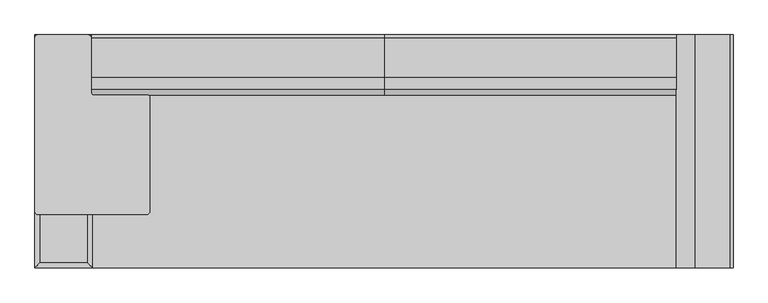
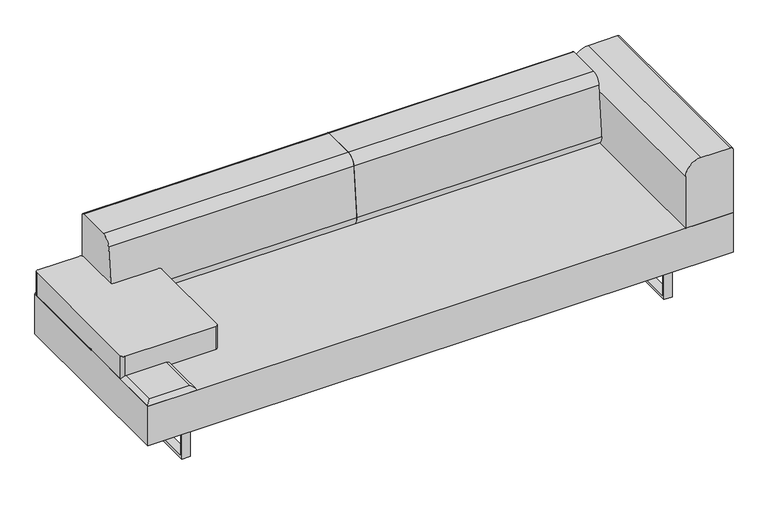
"""IFC4 building model written with IfcOpenShell, lengths in millimetres: furniture geometry."""

import ifcopenshell
import ifcopenshell.guid

model = None  # the IFC model being written
_history = None  # IfcOwnerHistory: only IFC2X3 demands one
_inside = {}  # id of a spatial element -> (the spatial element, [elements in it])
_under = {}  # id of a project, library or spatial element -> (it, [spatial elements below it])
_declared = {}  # id of a project -> (the project, [libraries it declares])
_typed = {}  # id of a type object -> (the type object, [elements of that type])
_made_of = {}  # id of a material, layer set ... -> (it, [elements and type objects made of it])


def new_model(schema):
    """Start an empty IFC model of exactly this schema.

    Asked for "IFC4X3", IfcOpenShell would pick the latest addendum, in which some entities
    have other attributes; the version numbers below select the first issue.
    IFC2X3 requires an IfcOwnerHistory on every rooted entity: one is made here for all.
    """
    global model, _history
    if schema == "IFC4X3":
        model = ifcopenshell.file(schema_version=(4, 3, 0, 0))
    else:
        model = ifcopenshell.file(schema=schema)
    _inside.clear()
    _under.clear()
    _declared.clear()
    _typed.clear()
    _made_of.clear()
    _history = None
    if model.schema == "IFC2X3":
        org = make("IfcOrganization", Name="unknown")
        user = make(
            "IfcPersonAndOrganization",
            ThePerson=make("IfcPerson", FamilyName="unknown"),
            TheOrganization=org,
        )
        app = make(
            "IfcApplication",
            ApplicationDeveloper=org,
            Version="unknown",
            ApplicationFullName="unknown",
            ApplicationIdentifier="unknown",
        )
        _history = make(
            "IfcOwnerHistory",
            OwningUser=user,
            OwningApplication=app,
            ChangeAction="ADDED",
            CreationDate=0,
        )
    return model


def make(cls, **values):
    """One entity of the class cls with the attributes given. An attribute that is None is left unset."""
    return model.create_entity(
        cls, **{name: value for name, value in values.items() if value is not None}
    )


def rooted(cls, **values):
    """An entity with a GlobalId (a new one), such as an element, a storey or a relation."""
    return make(cls, GlobalId=ifcopenshell.guid.new(), OwnerHistory=_history, **values)


def si_unit(unit_type, name, prefix=None):
    """IfcSIUnit, for example si_unit("LENGTHUNIT", "METRE", prefix="MILLI")."""
    return make("IfcSIUnit", UnitType=unit_type, Prefix=prefix, Name=name)


def assignment(units):
    """IfcUnitAssignment: the units of a project."""
    return None if units is None else make("IfcUnitAssignment", Units=units)


def point(xyz):
    """IfcCartesianPoint."""
    return None if xyz is None else make("IfcCartesianPoint", Coordinates=xyz)


def direction(xyz):
    """IfcDirection."""
    return None if xyz is None else make("IfcDirection", DirectionRatios=xyz)


def frame(location, z_axis=None, x_axis=None):
    """IfcAxis2Placement3D, a coordinate frame: its origin and axes. An axis left out is left unset."""
    return make(
        "IfcAxis2Placement3D",
        Location=point(location),
        Axis=direction(z_axis),
        RefDirection=direction(x_axis),
    )


def frame_2d(location, x_axis=None):
    """IfcAxis2Placement2D, a coordinate frame in the plane: its origin and x axis."""
    return make(
        "IfcAxis2Placement2D", Location=point(location), RefDirection=direction(x_axis)
    )


def origin():
    """The frame at (0, 0, 0) with its axes left unset."""
    return frame((0.0, 0.0, 0.0))


def place(relative_to, where):
    """IfcLocalPlacement: puts the frame where relative to a parent placement (None: the world)."""
    return make(
        "IfcLocalPlacement", PlacementRelTo=relative_to, RelativePlacement=where
    )


def context(
    kind, dimensions, precision=None, world=None, true_north=None, identifier=None
):
    """IfcGeometricRepresentationContext, for example the 3D "Model" context."""
    return make(
        "IfcGeometricRepresentationContext",
        ContextIdentifier=identifier,
        ContextType=kind,
        CoordinateSpaceDimension=dimensions,
        Precision=precision,
        WorldCoordinateSystem=world,
        TrueNorth=true_north,
    )


def project(units=None, contexts=None):
    """IfcProject with its units and contexts."""
    return rooted(
        "IfcProject",
        Name="project",
        RepresentationContexts=contexts,
        UnitsInContext=assignment(units),
    )


def spatial(cls, under=None, at=None, **own):
    """A site, building, storey or space (cls), placed at a placement, below another one or the project."""
    s = rooted(cls, ObjectPlacement=at, **own)
    if under is not None:
        _under.setdefault(under.id(), (under, []))[1].append(s)
    return s


def polyline(points):
    """IfcPolyline through the points."""
    return make("IfcPolyline", Points=[point(p) for p in points])


def circle_curve(where, radius):
    """IfcCircle in the frame where."""
    return make("IfcCircle", Position=where, Radius=radius)


def ellipse_curve(where, semi_axis1, semi_axis2):
    """IfcEllipse in the frame where."""
    return make(
        "IfcEllipse", Position=where, SemiAxis1=semi_axis1, SemiAxis2=semi_axis2
    )


def trimmed(basis, trim1, trim2, sense, master):
    """IfcTrimmedCurve: the piece of a basis curve between two trims."""
    return make(
        "IfcTrimmedCurve",
        BasisCurve=basis,
        Trim1=trim1,
        Trim2=trim2,
        SenseAgreement=sense,
        MasterRepresentation=master,
    )


def segment(curve, same_sense, transition):
    """IfcCompositeCurveSegment."""
    return make(
        "IfcCompositeCurveSegment",
        Transition=transition,
        SameSense=same_sense,
        ParentCurve=curve,
    )


def composite_curve(segments, self_intersect=None):
    """IfcCompositeCurve: segments joined end to end."""
    return make("IfcCompositeCurve", Segments=segments, SelfIntersect=self_intersect)


def outline(outer, holes=None, kind="AREA"):
    """IfcArbitraryClosedProfileDef: a profile drawn as a closed curve; with holes, ...WithVoids."""
    if holes is None:
        return make("IfcArbitraryClosedProfileDef", ProfileType=kind, OuterCurve=outer)
    return make(
        "IfcArbitraryProfileDefWithVoids",
        ProfileType=kind,
        OuterCurve=outer,
        InnerCurves=holes,
    )


def extrude(swept, where, along, depth):
    """IfcExtrudedAreaSolid: the profile swept, set in the frame where, extruded along a direction by depth."""
    return make(
        "IfcExtrudedAreaSolid",
        SweptArea=swept,
        Position=where,
        ExtrudedDirection=direction(along),
        Depth=depth,
    )


def shape(context_of_items, identifier, shape_type, items):
    """IfcShapeRepresentation: the items that make up one representation, for example the "Body"."""
    return make(
        "IfcShapeRepresentation",
        ContextOfItems=context_of_items,
        RepresentationIdentifier=identifier,
        RepresentationType=shape_type,
        Items=items,
    )


def source(mapping_origin, context_of_items, identifier, shape_type, items):
    """IfcRepresentationMap: a shape defined once, which mapped items show again and again."""
    return make(
        "IfcRepresentationMap",
        MappingOrigin=mapping_origin,
        MappedRepresentation=shape(context_of_items, identifier, shape_type, items),
    )


def transform(
    local_origin,
    x_axis=None,
    y_axis=None,
    z_axis=None,
    scale=None,
    scale2=None,
    scale3=None,
    uniform=True,
):
    """IfcCartesianTransformationOperator3D, or its non-uniform kind. x_axis, y_axis, z_axis: its Axis1, 2, 3."""
    if uniform:
        return make(
            "IfcCartesianTransformationOperator3D",
            Axis1=direction(x_axis),
            Axis2=direction(y_axis),
            LocalOrigin=point(local_origin),
            Scale=scale,
            Axis3=direction(z_axis),
        )
    return make(
        "IfcCartesianTransformationOperator3DnonUniform",
        Axis1=direction(x_axis),
        Axis2=direction(y_axis),
        LocalOrigin=point(local_origin),
        Scale=scale,
        Axis3=direction(z_axis),
        Scale2=scale2,
        Scale3=scale3,
    )


def mapped(mapping_source, mapping_target):
    """IfcMappedItem: shows the shape of a source again, moved by a transform."""
    return make(
        "IfcMappedItem", MappingSource=mapping_source, MappingTarget=mapping_target
    )


def made_of(thing, what):
    """Note that an element or type object is made of a material, layer set ...; save() writes the relation."""
    if what is not None:
        _made_of.setdefault(what.id(), (what, []))[1].append(thing)
    return thing


def element(
    cls,
    number,
    at=None,
    inside=None,
    cuts=None,
    type_object=None,
    material=None,
    context=None,
    identifier="Body",
    shape_type=None,
    held_by="IfcProductDefinitionShape",
    body=None,
    shapes=None,
    **own,
):
    """One element of the class cls, such as IfcWall. Its Tag is "e" and its number.

    at: its placement. inside: the storey or other place that contains it. cuts: it is an
    opening in that element (IfcRelVoidsElement). A single representation is given by context,
    identifier, shape_type and body (its items); several are given by shapes. held_by: the class
    of the entity that holds the representations. save() writes the other relations.
    """
    e = rooted(cls, Tag="e%d" % number, ObjectPlacement=at, **own)
    if body is not None:
        shapes = [shape(context, identifier, shape_type, body)]
    if shapes is not None:
        e.Representation = make(held_by, Representations=shapes)
    if inside is not None:
        _inside.setdefault(inside.id(), (inside, []))[1].append(e)
    if cuts is not None:
        rooted(
            "IfcRelVoidsElement", RelatingBuildingElement=cuts, RelatedOpeningElement=e
        )
    if type_object is not None:
        _typed.setdefault(type_object.id(), (type_object, []))[1].append(e)
    return made_of(e, material)


def aggregate(whole, parts):
    """IfcRelAggregates: a whole, such as a stair, and the parts it consists of."""
    return rooted("IfcRelAggregates", RelatingObject=whole, RelatedObjects=parts)


def save(model, path):
    """Write the relations noted so far, then the file.

    IfcRelAggregates (storeys below a building ...), IfcRelContainedInSpatialStructure (elements
    in a storey), IfcRelDefinesByType, IfcRelAssociatesMaterial and IfcRelDeclares: one each for
    every whole, place, type object, material and project.
    """
    for whole, parts in _under.values():
        aggregate(whole, parts)
    for where, things in _inside.values():
        rooted(
            "IfcRelContainedInSpatialStructure",
            RelatedElements=things,
            RelatingStructure=where,
        )
    for kind, things in _typed.values():
        rooted("IfcRelDefinesByType", RelatedObjects=things, RelatingType=kind)
    for what, things in _made_of.values():
        rooted("IfcRelAssociatesMaterial", RelatedObjects=things, RelatingMaterial=what)
    for by, libraries in _declared.values():
        rooted("IfcRelDeclares", RelatingContext=by, RelatedDefinitions=libraries)
    model.write(path)


def plane_surface(at):
    """IfcPlane: the flat surface through the origin of the frame at, square to its z axis."""
    return make("IfcPlane", Position=at)


def cylinder_surface(at, radius):
    """IfcCylindricalSurface: all points at the distance radius from the z axis of the frame at."""
    return make("IfcCylindricalSurface", Position=at, Radius=radius)


def advanced_brep(points, edges, surfaces, faces):
    """IfcAdvancedBrep: a solid bounded by faces that lie on surfaces and meet in shared edges.

    An edge is (start, end): straight between two places in points (the first is 0);
    or (start, end, curve); or (start, end, curve, False) where it runs against its curve.
    A face is (place in surfaces, loops), or (place, loops, False) where it looks against
    its surface's normal. A loop lists edges by number (the first is 1), with a minus sign
    where the edge is run from its end to its start. The first loop is the outer one.
    """
    corners = [point(p) for p in points]
    vertices = [make("IfcVertexPoint", VertexGeometry=c) for c in corners]
    made = []
    for start, end, *more in edges:
        made.append(
            make(
                "IfcEdgeCurve",
                EdgeStart=vertices[start],
                EdgeEnd=vertices[end],
                EdgeGeometry=more[0] if more else make("IfcPolyline", Points=[corners[start], corners[end]]),
                SameSense=more[1] if len(more) > 1 else True,
            )
        )
    hull = []
    for where, loops, *sense in faces:
        bounds = []
        for j, loop in enumerate(loops):
            ring = [make("IfcOrientedEdge", EdgeElement=made[abs(k) - 1], Orientation=k > 0) for k in loop]
            bounds.append(
                make(
                    "IfcFaceOuterBound" if j == 0 else "IfcFaceBound",
                    Bound=make("IfcEdgeLoop", EdgeList=ring),
                    Orientation=True,
                )
            )
        hull.append(make("IfcAdvancedFace", Bounds=bounds, FaceSurface=surfaces[where], SameSense=sense[0] if sense else True))
    return make("IfcAdvancedBrep", Outer=make("IfcClosedShell", CfsFaces=hull))


def furniture_991af9d6(model_context):
    return source(origin(), model_context, "Body", "SolidModel", [
        advanced_brep(
        [(-1128.5755122, 17.9605122, 411.6605122), (-1128.5755122, 204.2894878, 411.6605122), (-1312.3644878, 204.2894878, 411.6605122), (-1312.3644878, 17.9605122, 411.6605122), (-1110.615, 222.25, 393.7), (-1110.615, 0.0, 393.7), (-1330.325, 0.0, 393.7), (-1330.325, 222.25, 393.7)],
        [
            (0, 1),
            (1, 2),
            (2, 3),
            (3, 0),
            (4, 5),
            (5, 6),
            (6, 7),
            (7, 4),
            (4, 1, ellipse_curve(frame((-1128.5755122, 204.2894878, 393.7), z_axis=(0.7071067811865475, -0.7071067811865475, 0.0), x_axis=(0.7071067811865474, 0.7071067811865476, 0.0)), 25.4, 17.9605122)),
            (0, 5, ellipse_curve(frame((-1128.5755122, 17.9605122, 393.7), z_axis=(0.7071067811865475, 0.7071067811865475, 0.0), x_axis=(-0.7071067811865474, 0.7071067811865476, 0.0)), 25.4, 17.9605122)),
            (3, 6, ellipse_curve(frame((-1312.3644878, 17.9605122, 393.7), z_axis=(0.7071067811865475, -0.7071067811865475, 0.0), x_axis=(0.7071067811865476, 0.7071067811865474, 0.0)), 25.4, 17.9605122)),
            (2, 7, ellipse_curve(frame((-1312.3644878, 204.2894878, 393.7), z_axis=(-0.7071067811865475, -0.7071067811865475, 0.0), x_axis=(0.7071067811865474, -0.7071067811865476, 0.0)), 25.4, 17.9605122)),
        ],
        [
            plane_surface(frame((-1312.3644878, 204.2894878, 411.6605122), z_axis=(0.0, 0.0, 1.0), x_axis=(-1.0, 0.0, 0.0))),
            plane_surface(frame((-1312.3644878, 204.2894878, 393.7), z_axis=(0.0, 0.0, -1.0), x_axis=(1.0, 0.0, 0.0))),
            cylinder_surface(frame((-1128.5755122, 222.25, 393.7), z_axis=(0.0, 1.0, 0.0), x_axis=(1.0, 0.0, 0.0)), 17.9605122),
            cylinder_surface(frame((-1110.615, 17.9605122, 393.7), z_axis=(1.0, 0.0, 0.0), x_axis=(0.0, -1.0, 0.0)), 17.9605122),
            cylinder_surface(frame((-1312.3644878, 0.0, 393.7), z_axis=(0.0, -1.0, 0.0), x_axis=(-1.0, 0.0, 0.0)), 17.9605122),
            cylinder_surface(frame((-1330.325, 204.2894878, 393.7), z_axis=(-1.0, 0.0, 0.0), x_axis=(0.0, 1.0, 0.0)), 17.9605122),
        ],
        [
            (0, [[1, 2, 3, 4]]),
            (1, [[5, 6, 7, 8]]),
            (2, [[9, -1, 10, -5]]),
            (3, [[-10, -4, 11, -6]]),
            (4, [[-11, -3, 12, -7]]),
            (5, [[-9, -8, -12, -2]]),
        ],
    ),
        advanced_brep(
        [(-1128.5755122, 240.2105122, 411.6605122), (-1128.5755122, 426.5394878, 411.6605122), (-1312.3644878, 426.5394878, 411.6605122), (-1312.3644878, 240.2105122, 411.6605122), (-1110.615, 444.5, 393.7), (-1110.615, 222.25, 393.7), (-1330.325, 222.25, 393.7), (-1330.325, 444.5, 393.7)],
        [
            (0, 1),
            (1, 2),
            (2, 3),
            (3, 0),
            (4, 5),
            (5, 6),
            (6, 7),
            (7, 4),
            (4, 1, ellipse_curve(frame((-1128.5755122, 426.5394878, 393.7), z_axis=(0.7071067811865475, -0.7071067811865475, 0.0), x_axis=(0.7071067811865474, 0.7071067811865476, 0.0)), 25.4, 17.9605122)),
            (0, 5, ellipse_curve(frame((-1128.5755122, 240.2105122, 393.7), z_axis=(0.7071067811865475, 0.7071067811865475, 0.0), x_axis=(-0.7071067811865474, 0.7071067811865476, 0.0)), 25.4, 17.9605122)),
            (3, 6, ellipse_curve(frame((-1312.3644878, 240.2105122, 393.7), z_axis=(0.7071067811865475, -0.7071067811865475, 0.0), x_axis=(0.7071067811865476, 0.7071067811865474, 0.0)), 25.4, 17.9605122)),
            (2, 7, ellipse_curve(frame((-1312.3644878, 426.5394878, 393.7), z_axis=(-0.7071067811865475, -0.7071067811865475, 0.0), x_axis=(0.7071067811865474, -0.7071067811865476, 0.0)), 25.4, 17.9605122)),
        ],
        [
            plane_surface(frame((-1312.3644878, 426.5394878, 411.6605122), z_axis=(0.0, 0.0, 1.0), x_axis=(-1.0, 0.0, 0.0))),
            plane_surface(frame((-1312.3644878, 426.5394878, 393.7), z_axis=(0.0, 0.0, -1.0), x_axis=(1.0, 0.0, 0.0))),
            cylinder_surface(frame((-1128.5755122, 444.5, 393.7), z_axis=(0.0, 1.0, 0.0), x_axis=(1.0, 0.0, 0.0)), 17.9605122),
            cylinder_surface(frame((-1110.615, 240.2105122, 393.7), z_axis=(1.0, 0.0, 0.0), x_axis=(0.0, -1.0, 0.0)), 17.9605122),
            cylinder_surface(frame((-1312.3644878, 222.25, 393.7), z_axis=(0.0, -1.0, 0.0), x_axis=(-1.0, 0.0, 0.0)), 17.9605122),
            cylinder_surface(frame((-1330.325, 426.5394878, 393.7), z_axis=(-1.0, 0.0, 0.0), x_axis=(0.0, 1.0, 0.0)), 17.9605122),
        ],
        [
            (0, [[1, 2, 3, 4]]),
            (1, [[5, 6, 7, 8]]),
            (2, [[9, -1, 10, -5]]),
            (3, [[-10, -4, 11, -6]]),
            (4, [[-11, -3, 12, -7]]),
            (5, [[-9, -8, -12, -2]]),
        ],
    ),
        advanced_brep(
        [(-1110.615, -222.25, 393.7), (-1128.5755122, -240.2105122, 411.6605122), (-1128.5755122, -426.5394878, 411.6605122), (-1110.615, -444.5, 393.7), (-1312.3644878, -426.5394878, 411.6605122), (-1330.325, -444.5, 393.7), (-1312.3644878, -240.2105122, 411.6605122), (-1330.325, -222.25, 393.7)],
        [
            (0, 1, ellipse_curve(frame((-1128.5755122, -240.2105122, 393.7), z_axis=(0.7071067811865475, -0.7071067811865475, 0.0), x_axis=(0.7071067811865474, 0.7071067811865476, 0.0)), 25.4, 17.9605122)),
            (1, 2),
            (2, 3, ellipse_curve(frame((-1128.5755122, -426.5394878, 393.7), z_axis=(0.7071067811865475, 0.7071067811865475, 0.0), x_axis=(-0.7071067811865474, 0.7071067811865476, 0.0)), 25.4, 17.9605122)),
            (3, 0),
            (2, 4),
            (4, 5, ellipse_curve(frame((-1312.3644878, -426.5394878, 393.7), z_axis=(0.7071067811865475, -0.7071067811865475, 0.0), x_axis=(0.7071067811865476, 0.7071067811865474, 0.0)), 25.4, 17.9605122)),
            (5, 3),
            (4, 6),
            (6, 7, ellipse_curve(frame((-1312.3644878, -240.2105122, 393.7), z_axis=(-0.7071067811865475, -0.7071067811865475, 0.0), x_axis=(0.7071067811865474, -0.7071067811865476, 0.0)), 25.4, 17.9605122)),
            (7, 5),
            (0, 7),
            (6, 1),
        ],
        [
            cylinder_surface(frame((-1128.5755122, -222.25, 393.7), z_axis=(0.0, 1.0, 0.0), x_axis=(1.0, 0.0, 0.0)), 17.9605122),
            cylinder_surface(frame((-1110.615, -426.5394878, 393.7), z_axis=(1.0, 0.0, 0.0), x_axis=(0.0, -1.0, 0.0)), 17.9605122),
            cylinder_surface(frame((-1312.3644878, -444.5, 393.7), z_axis=(0.0, -1.0, 0.0), x_axis=(-1.0, 0.0, 0.0)), 17.9605122),
            cylinder_surface(frame((-1330.325, -240.2105122, 393.7), z_axis=(-1.0, 0.0, 0.0), x_axis=(0.0, 1.0, 0.0)), 17.9605122),
            plane_surface(frame((-1330.325, -222.25, 393.7), z_axis=(0.0, 0.0, -1.0), x_axis=(1.0, 0.0, 0.0))),
            plane_surface(frame((-1312.3644878, -240.2105122, 411.6605122), z_axis=(0.0, 0.0, 1.0), x_axis=(-1.0, 0.0, 0.0))),
        ],
        [
            (0, [[1, 2, 3, 4]]),
            (1, [[-3, 5, 6, 7]]),
            (2, [[-6, 8, 9, 10]]),
            (3, [[-1, 11, -9, 12]]),
            (4, [[-4, -7, -10, -11]]),
            (5, [[-2, -12, -8, -5]]),
        ],
    ),
        extrude(outline(polyline([(-339.4724839, 0.0), (-339.4724839, 203.2), (341.6588694, 203.2), (341.6588694, 0.0), (-339.4724839, 0.0)]), holes=[polyline([(-326.7724839, 190.5), (-326.7724839, 12.7), (328.9588694, 12.7), (328.9588694, 190.5), (-326.7724839, 190.5)])]), frame((-1114.425, 0.0, 0.0), z_axis=(1.0, 0.0, 0.0), x_axis=(0.0, 1.0, 0.0)), (0.0, 0.0, 1.0), 38.0999535),
        extrude(outline(polyline([(-339.4724839, 203.2), (341.6588694, 203.2), (341.6588694, 0.0), (-339.4724839, 0.0), (-339.4724839, 203.2)]), holes=[polyline([(-326.7724839, 12.7), (328.9588694, 12.7), (328.9588694, 190.5), (-326.7724839, 190.5), (-326.7724839, 12.7)])]), frame((1076.3250465, 0.0, 0.0), z_axis=(1.0, 0.0, 0.0), x_axis=(0.0, 1.0, 0.0)), (0.0, 0.0, 1.0), 38.0999535),
        extrude(outline(polyline([(1330.325, 444.5), (1330.325, -444.5), (-1330.325, -444.5), (-1330.325, 444.5), (1330.325, 444.5)])), frame((0.0, 0.0, 203.2), z_axis=(0.0, 0.0, 1.0), x_axis=(1.0, 0.0, 0.0)), (0.0, 0.0, 1.0), 190.5),
        extrude(outline(composite_curve([segment(trimmed(circle_curve(frame_2d((696.9125, 1317.625)), 12.7), [point((696.9125, 1330.325))], [point((709.6125, 1317.625))], False, "CARTESIAN"), True, "CONTINUOUS"), segment(polyline([(709.6125, 1317.625), (709.6125, 1184.2752345)]), True, "CONTINUOUS"), segment(trimmed(circle_curve(frame_2d((639.7622655, 1184.2752345)), 69.8502345), [point((709.6125, 1184.2752345))], [point((639.7622655, 1114.425))], False, "CARTESIAN"), True, "CONTINUOUS"), segment(polyline([(639.7622655, 1114.425), (393.7, 1114.425), (393.7, 1330.325), (696.9125, 1330.325)]), True, "CONTINUOUS")], self_intersect=False)), frame((0.0, -444.5, 0.0), z_axis=(0.0, 1.0, 0.0), x_axis=(0.0, 0.0, 1.0)), (0.0, 0.0, 1.0), 889.0),
        extrude(outline(composite_curve([segment(polyline([(444.5, 393.7), (232.6067514, 393.7)]), True, "CONTINUOUS"), segment(trimmed(circle_curve(frame_2d((263.4189927, 430.9463408)), 48.3392606), [point((232.6067514, 393.7))], [point((215.3053904, 435.6116811))], False, "CARTESIAN"), True, "CONTINUOUS"), segment(polyline([(215.3053904, 435.6116811), (237.9512344, 669.1580194)]), True, "CONTINUOUS"), segment(trimmed(circle_curve(frame_2d((282.1937319, 664.8680412)), 44.45), [point((237.9512344, 669.1580194))], [point((282.1937319, 709.3180412))], False, "CARTESIAN"), True, "CONTINUOUS"), segment(polyline([(282.1937319, 709.3180412), (434.544558, 709.3180412)]), True, "CONTINUOUS"), segment(trimmed(circle_curve(frame_2d((434.544558, 699.3625993)), 9.955442), [point((434.544558, 709.3180412))], [point((444.5, 699.3625993))], False, "CARTESIAN"), True, "CONTINUOUS"), segment(polyline([(444.5, 699.3625993), (444.5, 393.7)]), True, "CONTINUOUS")], self_intersect=False)), frame((-1114.425, 0.0, 0.0), z_axis=(1.0, 0.0, 0.0), x_axis=(0.0, 1.0, 0.0)), (0.0, 0.0, 1.0), 1114.425),
        extrude(outline(composite_curve([segment(polyline([(-1330.325, -228.6704079), (-1330.325, 431.813411)]), True, "CONTINUOUS"), segment(trimmed(circle_curve(frame_2d((-1317.638411, 431.813411)), 12.686589), [point((-1330.325, 431.813411))], [point((-1317.638411, 444.5))], False, "CARTESIAN"), True, "CONTINUOUS"), segment(polyline([(-1317.638411, 444.5), (-1129.4224317, 444.5)]), True, "CONTINUOUS"), segment(trimmed(circle_curve(frame_2d((-1129.4224317, 429.5025683)), 14.9974317), [point((-1129.4224317, 444.5))], [point((-1114.425, 429.5025683))], False, "CARTESIAN"), True, "CONTINUOUS"), segment(polyline([(-1114.425, 429.5025683), (-1114.425, 216.6625481)]), True, "CONTINUOUS"), segment(trimmed(circle_curve(frame_2d((-1106.5121166, 235.7890089)), 20.6986769), [point((-1114.425, 216.6625481))], [point((-1103.5361124, 215.3053904))], True, "CARTESIAN"), True, "CONTINUOUS"), segment(polyline([(-1103.5361124, 215.3053904), (-903.6748743, 215.3053904)]), True, "CONTINUOUS"), segment(trimmed(circle_curve(frame_2d((-903.6748743, 203.749728)), 11.5556624), [point((-903.6748743, 215.3053904))], [point((-892.1192118, 203.749728))], False, "CARTESIAN"), True, "CONTINUOUS"), segment(polyline([(-892.1192118, 203.749728), (-892.1192118, -228.8858225)]), True, "CONTINUOUS"), segment(trimmed(circle_curve(frame_2d((-904.5333894, -228.8858225)), 12.4141775), [point((-892.1192118, -228.8858225))], [point((-904.5333894, -241.3))], False, "CARTESIAN"), True, "CONTINUOUS"), segment(polyline([(-904.5333894, -241.3), (-1317.6954079, -241.3)]), True, "CONTINUOUS"), segment(trimmed(circle_curve(frame_2d((-1317.6954079, -228.6704079)), 12.6295921), [point((-1317.6954079, -241.3))], [point((-1330.325, -228.6704079))], False, "CARTESIAN"), True, "CONTINUOUS")], self_intersect=False)), frame((0.0, 0.0, 393.7), z_axis=(0.0, 0.0, 1.0), x_axis=(1.0, 0.0, 0.0)), (0.0, 0.0, 1.0), 111.7620251),
        extrude(outline(composite_curve([segment(polyline([(444.5, 393.7), (232.6067514, 393.7)]), True, "CONTINUOUS"), segment(trimmed(circle_curve(frame_2d((263.4189927, 430.9463408)), 48.3392606), [point((232.6067514, 393.7))], [point((215.3053904, 435.6116811))], False, "CARTESIAN"), True, "CONTINUOUS"), segment(polyline([(215.3053904, 435.6116811), (237.9512344, 669.1580194)]), True, "CONTINUOUS"), segment(trimmed(circle_curve(frame_2d((282.1937319, 664.8680412)), 44.45), [point((237.9512344, 669.1580194))], [point((282.1937319, 709.3180412))], False, "CARTESIAN"), True, "CONTINUOUS"), segment(polyline([(282.1937319, 709.3180412), (434.544558, 709.3180412)]), True, "CONTINUOUS"), segment(trimmed(circle_curve(frame_2d((434.544558, 699.3625993)), 9.955442), [point((434.544558, 709.3180412))], [point((444.5, 699.3625993))], False, "CARTESIAN"), True, "CONTINUOUS"), segment(polyline([(444.5, 699.3625993), (444.5, 393.7)]), True, "CONTINUOUS")], self_intersect=False)), frame((0.0, 0.0, 0.0), z_axis=(1.0, 0.0, 0.0), x_axis=(0.0, 1.0, 0.0)), (0.0, 0.0, 1.0), 1114.425),
    ])


if __name__ == "__main__":
    model = new_model("IFC4")
    model_context = context("Model", 3, world=origin())
    ifc_project = project(units=[si_unit("LENGTHUNIT", "METRE", prefix="MILLI")], contexts=[model_context])
    site = spatial("IfcSite", under=ifc_project)
    building = spatial("IfcBuilding", under=site)
    placement = place(None, origin())
    furniture_shape = furniture_991af9d6(model_context)
    element("IfcFurniture", 1, at=placement, inside=building, context=model_context, shape_type="MappedRepresentation", body=[
        mapped(furniture_shape, transform((0.0, 0.0, 0.0), x_axis=(1.0, 0.0, 0.0), y_axis=(0.0, 1.0, 0.0), z_axis=(0.0, 0.0, 1.0))),
    ])
    save(model, "model.ifc")
